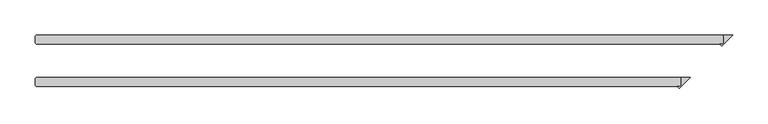
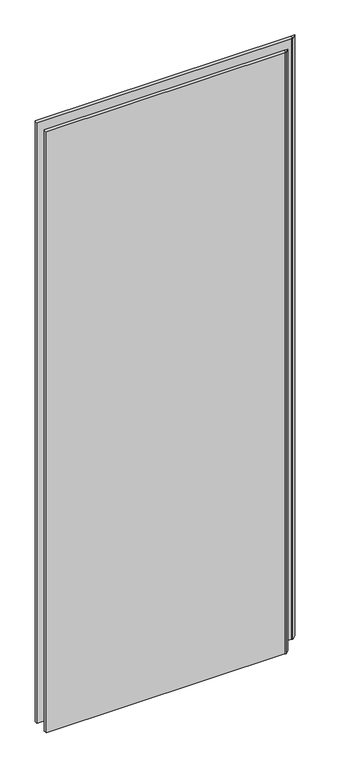
"""IFC4 building model written with IfcOpenShell, lengths in millimetres: plate geometry."""

from ifc_helpers import new_model, si_unit, origin, origin_with_axes, place, context, project, spatial, polyline, outline, extrude, source, transform, mapped, element, save


def plate_a3177b2d(model_context):
    return source(origin(), model_context, "Body", "SweptSolid", [
        extrude(outline(polyline([(439.340625, -25.4), (437.753125, -23.8125), (452.040625, -23.8125), (436.630593, -39.222532), (433.920561, -36.5125), (437.753125, -36.5125), (439.340625, -34.925), (439.340625, -25.4)])), origin_with_axes(), (0.0, 0.0, 1.0), 2417.7625023),
        extrude(outline(polyline([(499.665625, 34.925), (498.078125, 36.5125), (512.365625, 36.5125), (496.955593, 21.102468), (494.245561, 23.8125), (498.078125, 23.8125), (499.665625, 25.4), (499.665625, 34.925)])), origin_with_axes(), (0.0, 0.0, 1.0), 2417.7625023),
        extrude(outline(polyline([(437.753125, -23.8125), (439.340625, -25.4), (439.340625, -34.925), (437.753125, -36.5125), (-474.265625, -36.5125), (-475.853125, -34.925), (-475.853125, -25.4), (-474.265625, -23.8125), (437.753125, -23.8125)])), origin_with_axes(), (0.0, 0.0, 1.0), 2417.7625023),
        extrude(outline(polyline([(498.078125, 36.5125), (499.665625, 34.925), (499.665625, 25.4), (498.078125, 23.8125), (-474.265625, 23.8125), (-475.853125, 25.4), (-475.853125, 34.925), (-474.265625, 36.5125), (498.078125, 36.5125)])), origin_with_axes(), (0.0, 0.0, 1.0), 2417.7625023),
    ])


if __name__ == "__main__":
    model = new_model("IFC4")
    model_context = context("Model", 3, world=origin())
    ifc_project = project(units=[si_unit("LENGTHUNIT", "METRE", prefix="MILLI")], contexts=[model_context])
    site = spatial("IfcSite", under=ifc_project)
    building = spatial("IfcBuilding", under=site)
    placement = place(None, origin())
    plate_shape = plate_a3177b2d(model_context)
    element("IfcPlate", 1, at=placement, inside=building, context=model_context, shape_type="MappedRepresentation", body=[
        mapped(plate_shape, transform((0.0, 0.0, 0.0), x_axis=(1.0, 0.0, 0.0), y_axis=(0.0, 1.0, 0.0), z_axis=(0.0, 0.0, 1.0))),
    ])
    save(model, "model.ifc")
